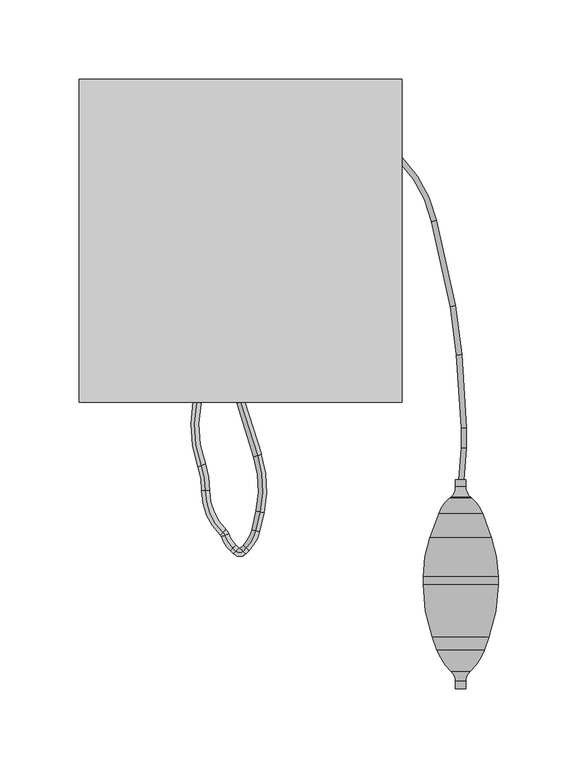
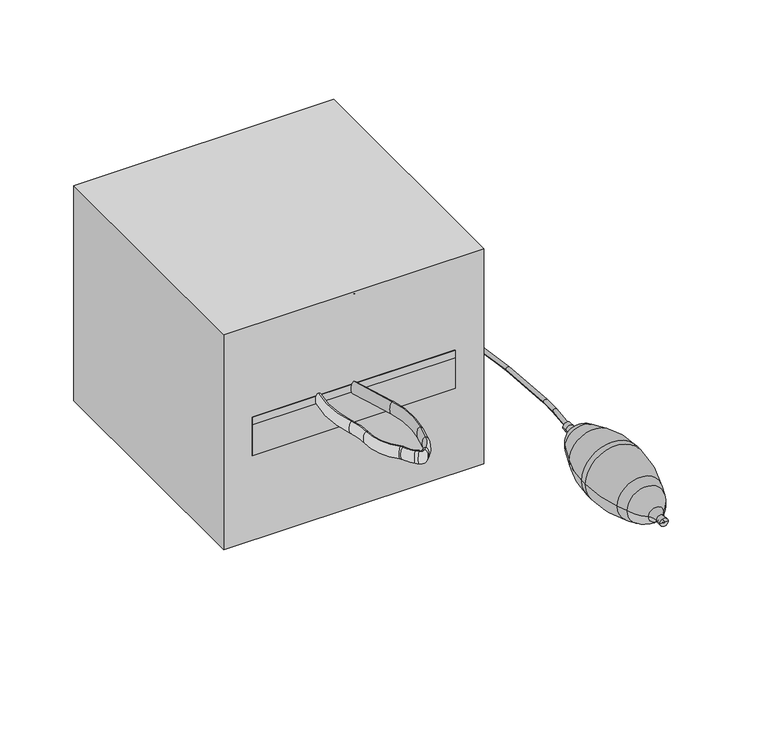
"""IFC4 building model written with IfcOpenShell, lengths in millimetres: proxy geometry."""

from ifc_helpers import new_model, si_unit, point, frame, frame_2d, origin, origin_with_axes, place, context, project, spatial, polyline, circle_curve, ellipse_curve, trimmed, segment, composite_curve, outline, extrude, source, transform, mapped, element, save
from ifc_brep_helpers import plane_surface, cylinder_surface, revolved_surface, extruded_surface, advanced_brep


def specialty_equipment_c0977e94(model_context):
    return source(origin(), model_context, "Body", "SolidModel", [
        advanced_brep(
        [(0.0, 0.0, 93.3890108), (0.0, 0.0, 103.4609892), (10.60129, -33.4899695, 93.3890108), (10.60129, -33.4899695, 103.4609892), (12.1452256, -68.8519095, 103.4609892), (12.1452256, -68.8519095, 93.3890108), (9.4902706, -80.7634297, 93.3890108), (9.4902706, -80.7634297, 103.4609892), (3.5257448, -91.6206606, 103.4609892), (3.5257448, -91.6206606, 93.3890108), (1.489236, -93.6571694, 93.3890108), (1.489236, -93.6571694, 103.4609892), (-2.7411458, -93.6571694, 103.4609892), (-2.7411458, -93.6571694, 93.3890108), (-4.6658712, -91.732444, 93.3890108), (-4.6658712, -91.732444, 103.4609892), (-9.7582734, -83.8141156, 103.4609892), (-9.7582734, -83.8141156, 93.3890108), (-10.9708227, -81.9675873, 103.4609892), (-10.9708227, -81.9675873, 93.3890108), (-21.9594666, -55.7504476, 103.4609892), (-21.9594666, -55.7504476, 93.3890108), (-24.5939327, -39.9510684, 103.4609892), (-24.5939327, -39.9510684, 93.3890108), (-27.3580457, -0.1117834, 93.3890108), (-27.3580457, -0.1117834, 103.4609892)],
        [
            (0, 1, ellipse_curve(frame((0.0, 0.0, 98.425), z_axis=(-0.30179165133573443, 0.9533739031377199, 0.0), x_axis=(0.0, 0.0, 1.0)), 5.0359892, 2.5179946)),
            (1, 0, ellipse_curve(frame((0.0, 0.0, 98.425), z_axis=(-0.30179165133573443, 0.9533739031377199, 0.0), x_axis=(0.0, 0.0, 1.0)), 5.0359892, 2.5179946)),
            (0, 2),
            (2, 3, ellipse_curve(frame((10.60129, -33.4899695, 98.425), z_axis=(-0.3017916513357344, 0.9533739031377201, 0.0), x_axis=(0.0, 0.0, 1.0)), 5.0359892, 2.5179946)),
            (3, 1),
            (3, 2, ellipse_curve(frame((10.60129, -33.4899695, 98.425), z_axis=(-0.3017916513357344, 0.9533739031377201, 0.0), x_axis=(0.0, 0.0, 1.0)), 5.0359892, 2.5179946)),
            (4, 3, circle_curve(frame((-54.3137244, -54.0388951, 103.4609892), z_axis=(0.0, 0.0, 1.0), x_axis=(0.9533739031377199, 0.3017916513357344, 0.0)), 68.0897748)),
            (2, 5, circle_curve(frame((-54.3137244, -54.0388951, 93.3890108), z_axis=(0.0, 0.0, -1.0), x_axis=(0.9533739031377199, 0.3017916513357344, 0.0)), 68.0897748)),
            (5, 4, ellipse_curve(frame((12.1452256, -68.8519095, 98.425), z_axis=(0.21755123234481044, 0.9760489031320381, 0.0), x_axis=(0.0, 0.0, 1.0)), 5.0359892, 2.5179946)),
            (4, 5, ellipse_curve(frame((12.1452256, -68.8519095, 98.425), z_axis=(0.21755123234481044, 0.9760489031320381, 0.0), x_axis=(0.0, 0.0, 1.0)), 5.0359892, 2.5179946)),
            (5, 6),
            (6, 7, ellipse_curve(frame((9.4902706, -80.7634297, 98.425), z_axis=(0.21755123234481058, 0.9760489031320381, 0.0), x_axis=(0.0, 0.0, 1.0)), 5.0359892, 2.5179946)),
            (7, 4),
            (7, 6, ellipse_curve(frame((9.4902706, -80.7634297, 98.425), z_axis=(0.21755123234481058, 0.9760489031320381, 0.0), x_axis=(0.0, 0.0, 1.0)), 5.0359892, 2.5179946)),
            (8, 7, circle_curve(frame((-12.1562786, -75.9386371, 103.4609892), z_axis=(0.0, 0.0, 1.0), x_axis=(0.9760489031320378, -0.21755123234481052, 0.0)), 22.1777302)),
            (6, 9, circle_curve(frame((-12.1562786, -75.9386371, 93.3890108), z_axis=(0.0, 0.0, -1.0), x_axis=(0.9760489031320378, -0.21755123234481052, 0.0)), 22.1777302)),
            (9, 8, ellipse_curve(frame((3.5257448, -91.6206606, 98.425), z_axis=(0.7071067811865477, 0.7071067811865474, 0.0), x_axis=(0.0, 0.0, 1.0)), 5.0359892, 2.5179946)),
            (8, 9, ellipse_curve(frame((3.5257448, -91.6206606, 98.425), z_axis=(0.7071067811865478, 0.7071067811865472, 0.0), x_axis=(0.0, 0.0, 1.0)), 5.0359892, 2.5179946)),
            (9, 10),
            (10, 11, ellipse_curve(frame((1.489236, -93.6571694, 98.425), z_axis=(0.7071067811865424, 0.7071067811865528, 0.0), x_axis=(0.0, 0.0, 1.0)), 5.0359892, 2.5179946)),
            (11, 8),
            (11, 10, ellipse_curve(frame((1.489236, -93.6571694, 98.425), z_axis=(0.7071067811865424, 0.7071067811865528, 0.0), x_axis=(0.0, 0.0, 1.0)), 5.0359892, 2.5179946)),
            (12, 11, circle_curve(frame((-0.6259549, -91.5419785, 103.4609892), z_axis=(0.0, 0.0, 1.0), x_axis=(0.7071067811865528, -0.7071067811865424, 0.0)), 2.9913317)),
            (10, 13, circle_curve(frame((-0.6259549, -91.5419785, 93.3890108), z_axis=(0.0, 0.0, -1.0), x_axis=(0.7071067811865528, -0.7071067811865424, 0.0)), 2.9913317)),
            (13, 12, ellipse_curve(frame((-2.7411458, -93.6571694, 98.425), z_axis=(0.707106781186544, -0.7071067811865511, 0.0), x_axis=(0.0, 0.0, 1.0)), 5.0359892, 2.5179946)),
            (12, 13, ellipse_curve(frame((-2.7411458, -93.6571694, 98.425), z_axis=(0.707106781186541, -0.7071067811865541, 0.0), x_axis=(0.0, 0.0, 1.0)), 5.0359892, 2.5179946)),
            (13, 14),
            (14, 15, ellipse_curve(frame((-4.6658712, -91.732444, 98.425), z_axis=(0.7071067811865435, -0.7071067811865516, 0.0), x_axis=(0.0, 0.0, 1.0)), 5.0359892, 2.5179946)),
            (15, 12),
            (15, 14, ellipse_curve(frame((-4.6658712, -91.732444, 98.425), z_axis=(0.7071067811865435, -0.7071067811865516, 0.0), x_axis=(0.0, 0.0, 1.0)), 5.0359892, 2.5179946)),
            (16, 15, circle_curve(frame((11.0161522, -76.0504205, 103.4609892), z_axis=(0.0, 0.0, 1.0), x_axis=(-0.7071067811865517, -0.7071067811865434, 0.0)), 22.1777302)),
            (14, 17, circle_curve(frame((11.0161522, -76.0504205, 93.3890108), z_axis=(0.0, 0.0, -1.0), x_axis=(-0.7071067811865517, -0.7071067811865434, 0.0)), 22.1777302)),
            (17, 16, ellipse_curve(frame((-9.7582734, -83.8141156, 98.425), z_axis=(0.35006716200403565, -0.9367246031179285, 0.0), x_axis=(0.0, 0.0, 1.0)), 5.0359892, 2.5179946)),
            (16, 17, ellipse_curve(frame((-9.7582734, -83.8141156, 98.425), z_axis=(0.3500671620040357, -0.9367246031179283, 0.0), x_axis=(0.0, 0.0, 1.0)), 5.0359892, 2.5179946)),
            (18, 16, circle_curve(frame((-14.4282922, -85.5593673, 103.4609892), z_axis=(0.0, 0.0, -1.0), x_axis=(0.9367246031179312, 0.3500671620040279, 0.0)), 4.9854768)),
            (17, 19, circle_curve(frame((-14.4282922, -85.5593673, 93.3890108), z_axis=(0.0, 0.0, 1.0), x_axis=(0.9367246031179312, 0.3500671620040279, 0.0)), 4.9854768)),
            (19, 18, ellipse_curve(frame((-10.9708227, -81.9675873, 98.425), z_axis=(0.7204486556395677, -0.6935082801143325, 0.0), x_axis=(0.0, 0.0, 1.0)), 5.0359892, 2.5179946)),
            (18, 19, ellipse_curve(frame((-10.9708227, -81.9675873, 98.425), z_axis=(0.720448655639569, -0.6935082801143314, 0.0), x_axis=(0.0, 0.0, 1.0)), 5.0359892, 2.5179946)),
            (20, 18, circle_curve(frame((13.8981281, -56.1325645, 103.4609892), z_axis=(0.0, 0.0, 1.0), x_axis=(-0.6935082801143325, -0.7204486556395678, 0.0)), 35.8596307)),
            (19, 21, circle_curve(frame((13.8981281, -56.1325645, 93.3890108), z_axis=(0.0, 0.0, -1.0), x_axis=(-0.6935082801143325, -0.7204486556395678, 0.0)), 35.8596307)),
            (21, 20, ellipse_curve(frame((-21.9594666, -55.7504476, 98.425), z_axis=(-0.01065590823073842, -0.9999432241981433, 0.0), x_axis=(0.0, 0.0, 1.0)), 5.0359892, 2.5179946)),
            (20, 21, ellipse_curve(frame((-21.9594666, -55.7504476, 98.425), z_axis=(-0.010655908230738531, -0.9999432241981433, 0.0), x_axis=(0.0, 0.0, 1.0)), 5.0359892, 2.5179946)),
            (22, 20, circle_curve(frame((-67.7275968, -55.2627189, 103.4609892), z_axis=(0.0, 0.0, -1.0), x_axis=(0.9999432241981431, -0.010655908230754234, 0.0)), 45.7707289)),
            (21, 23, circle_curve(frame((-67.7275968, -55.2627189, 93.3890108), z_axis=(0.0, 0.0, 1.0), x_axis=(0.9999432241981431, -0.010655908230754234, 0.0)), 45.7707289)),
            (23, 22, ellipse_curve(frame((-24.5939327, -39.9510684, 98.425), z_axis=(0.33452931398523134, -0.9423853447950953, 0.0), x_axis=(0.0, 0.0, 1.0)), 5.0359892, 2.5179946)),
            (22, 23, ellipse_curve(frame((-24.5939327, -39.9510684, 98.425), z_axis=(0.33452931398523134, -0.9423853447950953, 0.0), x_axis=(0.0, 0.0, 1.0)), 5.0359892, 2.5179946)),
            (24, 25, ellipse_curve(frame((-27.3580457, -0.1117834, 98.425), z_axis=(0.2011821163330489, 0.9795538556239548, 0.0), x_axis=(0.0, 0.0, 1.0)), 5.0359892, 2.5179946)),
            (25, 24, ellipse_curve(frame((-27.3580457, -0.1117834, 98.425), z_axis=(0.2011821163330489, 0.9795538556239548, 0.0), x_axis=(0.0, 0.0, 1.0)), 5.0359892, 2.5179946)),
            (25, 22, circle_curve(frame((45.4884963, -15.0731063, 103.4609892), z_axis=(0.0, 0.0, 1.0), x_axis=(-0.9423853447950952, -0.33452931398523145, 0.0)), 74.3670617)),
            (23, 24, circle_curve(frame((45.4884963, -15.0731063, 93.3890108), z_axis=(0.0, 0.0, -1.0), x_axis=(-0.9423853447950952, -0.33452931398523145, 0.0)), 74.3670617)),
        ],
        [
            plane_surface(frame((0.0, 0.0, 98.425), z_axis=(-0.30179165133573443, 0.9533739031377199, 0.0), x_axis=(0.0, 0.0, 1.0))),
            extruded_surface(trimmed(ellipse_curve(frame((10.60129, -33.4899695, 98.425), z_axis=(-0.30179165133573443, 0.9533739031377199, 0.0), x_axis=(0.0, 0.0, 1.0)), 5.0359892, 2.5179946), [point((10.60129, -33.4899695, 93.3890108))], [point((10.60129, -33.4899695, 103.4609892))], True, "CARTESIAN"), (-10.60129, 33.4899695, 0.0), 35.1278437535672),
            extruded_surface(trimmed(ellipse_curve(frame((10.60129, -33.4899695, 98.425), z_axis=(-0.30179165133573443, 0.9533739031377199, 0.0), x_axis=(0.0, 0.0, 1.0)), 5.0359892, 2.5179946), [point((10.60129, -33.4899695, 103.4609892))], [point((10.60129, -33.4899695, 93.3890108))], True, "CARTESIAN"), (-10.60129, 33.4899695, 0.0), 35.1278437535672),
            revolved_surface(trimmed(ellipse_curve(frame((10.60129, -33.4899695, 98.425), z_axis=(-0.3017916513357343, 0.9533739031377199, 0.0), x_axis=(0.0, 0.0, 1.0)), 5.0359892, 2.5179946), [point((10.60129, -33.4899695, 93.3890108))], [point((10.60129, -33.4899695, 103.4609892))], True, "CARTESIAN"), (-54.3137244, -54.0388951, 98.425), (0.0, 0.0, -1.0)),
            revolved_surface(trimmed(ellipse_curve(frame((10.60129, -33.4899695, 98.425), z_axis=(-0.3017916513357343, 0.9533739031377199, 0.0), x_axis=(0.0, 0.0, 1.0)), 5.0359892, 2.5179946), [point((10.60129, -33.4899695, 103.4609892))], [point((10.60129, -33.4899695, 93.3890108))], True, "CARTESIAN"), (-54.3137244, -54.0388951, 98.425), (0.0, 0.0, -1.0)),
            extruded_surface(trimmed(ellipse_curve(frame((9.4902706, -80.7634297, 98.425), z_axis=(0.2175512323448103, 0.976048903132038, 0.0), x_axis=(0.0, 0.0, 1.0)), 5.0359892, 2.5179946), [point((9.4902706, -80.7634297, 93.3890108))], [point((9.4902706, -80.7634297, 103.4609892))], True, "CARTESIAN"), (2.6549549999999993, 11.911520199999998, 0.0), 12.203814957915126),
            extruded_surface(trimmed(ellipse_curve(frame((9.4902706, -80.7634297, 98.425), z_axis=(0.2175512323448103, 0.976048903132038, 0.0), x_axis=(0.0, 0.0, 1.0)), 5.0359892, 2.5179946), [point((9.4902706, -80.7634297, 103.4609892))], [point((9.4902706, -80.7634297, 93.3890108))], True, "CARTESIAN"), (2.6549549999999993, 11.911520199999998, 0.0), 12.203814957915126),
            revolved_surface(trimmed(ellipse_curve(frame((9.4902706, -80.7634297, 98.425), z_axis=(0.21755123234481052, 0.9760489031320378, 0.0), x_axis=(0.0, 0.0, 1.0)), 5.0359892, 2.5179946), [point((9.4902706, -80.7634297, 93.3890108))], [point((9.4902706, -80.7634297, 103.4609892))], True, "CARTESIAN"), (-12.1562786, -75.9386371, 98.425), (0.0, 0.0, -1.0)),
            revolved_surface(trimmed(ellipse_curve(frame((9.4902706, -80.7634297, 98.425), z_axis=(0.21755123234481052, 0.9760489031320378, 0.0), x_axis=(0.0, 0.0, 1.0)), 5.0359892, 2.5179946), [point((9.4902706, -80.7634297, 103.4609892))], [point((9.4902706, -80.7634297, 93.3890108))], True, "CARTESIAN"), (-12.1562786, -75.9386371, 98.425), (0.0, 0.0, -1.0)),
            extruded_surface(trimmed(ellipse_curve(frame((1.489236, -93.6571694, 98.425), z_axis=(0.707106781186548, 0.7071067811865471, 0.0), x_axis=(0.0, 0.0, 1.0)), 5.0359892, 2.5179946), [point((1.489236, -93.6571694, 93.3890108))], [point((1.489236, -93.6571694, 103.4609892))], True, "CARTESIAN"), (2.0365088, 2.036508800000007, 0.0), 2.8800583648521623),
            extruded_surface(trimmed(ellipse_curve(frame((1.489236, -93.6571694, 98.425), z_axis=(0.707106781186548, 0.7071067811865471, 0.0), x_axis=(0.0, 0.0, 1.0)), 5.0359892, 2.5179946), [point((1.489236, -93.6571694, 103.4609892))], [point((1.489236, -93.6571694, 93.3890108))], True, "CARTESIAN"), (2.0365088, 2.036508800000007, 0.0), 2.8800583648521623),
            revolved_surface(trimmed(ellipse_curve(frame((1.489236, -93.6571694, 98.425), z_axis=(0.7071067811865424, 0.7071067811865528, 0.0), x_axis=(0.0, 0.0, 1.0)), 5.0359892, 2.5179946), [point((1.489236, -93.6571694, 93.3890108))], [point((1.489236, -93.6571694, 103.4609892))], True, "CARTESIAN"), (-0.6259549, -91.5419785, 98.425), (0.0, 0.0, -1.0)),
            revolved_surface(trimmed(ellipse_curve(frame((1.489236, -93.6571694, 98.425), z_axis=(0.7071067811865424, 0.7071067811865528, 0.0), x_axis=(0.0, 0.0, 1.0)), 5.0359892, 2.5179946), [point((1.489236, -93.6571694, 103.4609892))], [point((1.489236, -93.6571694, 93.3890108))], True, "CARTESIAN"), (-0.6259549, -91.5419785, 98.425), (0.0, 0.0, -1.0)),
            extruded_surface(trimmed(ellipse_curve(frame((-4.6658712, -91.732444, 98.425), z_axis=(0.7071067811865421, -0.7071067811865531, 0.0), x_axis=(0.0, 0.0, 1.0)), 5.0359892, 2.5179946), [point((-4.6658712, -91.732444, 93.3890108))], [point((-4.6658712, -91.732444, 103.4609892))], True, "CARTESIAN"), (1.9247253999999998, -1.9247253999999998, 0.0), 2.72197276452398),
            extruded_surface(trimmed(ellipse_curve(frame((-4.6658712, -91.732444, 98.425), z_axis=(0.7071067811865421, -0.7071067811865531, 0.0), x_axis=(0.0, 0.0, 1.0)), 5.0359892, 2.5179946), [point((-4.6658712, -91.732444, 103.4609892))], [point((-4.6658712, -91.732444, 93.3890108))], True, "CARTESIAN"), (1.9247253999999998, -1.9247253999999998, 0.0), 2.72197276452398),
            revolved_surface(trimmed(ellipse_curve(frame((-4.6658712, -91.732444, 98.425), z_axis=(0.7071067811865435, -0.7071067811865516, 0.0), x_axis=(0.0, 0.0, 1.0)), 5.0359892, 2.5179946), [point((-4.6658712, -91.732444, 93.3890108))], [point((-4.6658712, -91.732444, 103.4609892))], True, "CARTESIAN"), (11.0161522, -76.0504205, 98.425), (0.0, 0.0, -1.0)),
            revolved_surface(trimmed(ellipse_curve(frame((-4.6658712, -91.732444, 98.425), z_axis=(0.7071067811865435, -0.7071067811865516, 0.0), x_axis=(0.0, 0.0, 1.0)), 5.0359892, 2.5179946), [point((-4.6658712, -91.732444, 103.4609892))], [point((-4.6658712, -91.732444, 93.3890108))], True, "CARTESIAN"), (11.0161522, -76.0504205, 98.425), (0.0, 0.0, -1.0)),
            revolved_surface(trimmed(ellipse_curve(frame((-9.7582734, -83.8141156, 98.425), z_axis=(0.35006716200402826, -0.936724603117931, 0.0), x_axis=(0.0, 0.0, 1.0)), 5.0359892, 2.5179946), [point((-9.7582734, -83.8141156, 93.3890108))], [point((-9.7582734, -83.8141156, 103.4609892))], True, "CARTESIAN"), (-14.4282922, -85.5593673, 98.425), (0.0, 0.0, 1.0)),
            revolved_surface(trimmed(ellipse_curve(frame((-9.7582734, -83.8141156, 98.425), z_axis=(0.35006716200402826, -0.936724603117931, 0.0), x_axis=(0.0, 0.0, 1.0)), 5.0359892, 2.5179946), [point((-9.7582734, -83.8141156, 103.4609892))], [point((-9.7582734, -83.8141156, 93.3890108))], True, "CARTESIAN"), (-14.4282922, -85.5593673, 98.425), (0.0, 0.0, 1.0)),
            revolved_surface(trimmed(ellipse_curve(frame((-10.9708227, -81.9675873, 98.425), z_axis=(0.720448655639568, -0.6935082801143324, 0.0), x_axis=(0.0, 0.0, 1.0)), 5.0359892, 2.5179946), [point((-10.9708227, -81.9675873, 93.3890108))], [point((-10.9708227, -81.9675873, 103.4609892))], True, "CARTESIAN"), (13.8981281, -56.1325645, 98.425), (0.0, 0.0, -1.0)),
            revolved_surface(trimmed(ellipse_curve(frame((-10.9708227, -81.9675873, 98.425), z_axis=(0.720448655639568, -0.6935082801143324, 0.0), x_axis=(0.0, 0.0, 1.0)), 5.0359892, 2.5179946), [point((-10.9708227, -81.9675873, 103.4609892))], [point((-10.9708227, -81.9675873, 93.3890108))], True, "CARTESIAN"), (13.8981281, -56.1325645, 98.425), (0.0, 0.0, -1.0)),
            revolved_surface(trimmed(ellipse_curve(frame((-21.9594666, -55.7504476, 98.425), z_axis=(-0.010655908230754184, -0.9999432241981431, 0.0), x_axis=(0.0, 0.0, 1.0)), 5.0359892, 2.5179946), [point((-21.9594666, -55.7504476, 93.3890108))], [point((-21.9594666, -55.7504476, 103.4609892))], True, "CARTESIAN"), (-67.7275968, -55.2627189, 98.425), (0.0, 0.0, 1.0)),
            revolved_surface(trimmed(ellipse_curve(frame((-21.9594666, -55.7504476, 98.425), z_axis=(-0.010655908230754184, -0.9999432241981431, 0.0), x_axis=(0.0, 0.0, 1.0)), 5.0359892, 2.5179946), [point((-21.9594666, -55.7504476, 103.4609892))], [point((-21.9594666, -55.7504476, 93.3890108))], True, "CARTESIAN"), (-67.7275968, -55.2627189, 98.425), (0.0, 0.0, 1.0)),
            plane_surface(frame((-27.3580457, -0.1117834, 98.425), z_axis=(0.20118211633304883, 0.9795538556239548, 0.0), x_axis=(0.0, 0.0, 1.0))),
            revolved_surface(trimmed(ellipse_curve(frame((-24.5939327, -39.9510684, 98.425), z_axis=(0.3345293139852318, -0.9423853447950951, 0.0), x_axis=(0.0, 0.0, 1.0)), 5.0359892, 2.5179946), [point((-24.5939327, -39.9510684, 93.3890108))], [point((-24.5939327, -39.9510684, 103.4609892))], True, "CARTESIAN"), (45.4884963, -15.0731063, 98.425), (0.0, 0.0, -1.0)),
            revolved_surface(trimmed(ellipse_curve(frame((-24.5939327, -39.9510684, 98.425), z_axis=(0.3345293139852318, -0.9423853447950951, 0.0), x_axis=(0.0, 0.0, 1.0)), 5.0359892, 2.5179946), [point((-24.5939327, -39.9510684, 103.4609892))], [point((-24.5939327, -39.9510684, 93.3890108))], True, "CARTESIAN"), (45.4884963, -15.0731063, 98.425), (0.0, 0.0, -1.0)),
        ],
        [
            (0, [[1, 2]]),
            (1, [[-1, 3, 4, 5]]),
            (2, [[-2, -5, 6, -3]]),
            (3, [[7, -4, 8, 9]]),
            (4, [[-8, -6, -7, 10]]),
            (5, [[-9, 11, 12, 13]]),
            (6, [[-10, -13, 14, -11]]),
            (7, [[15, -12, 16, 17]]),
            (8, [[-16, -14, -15, 18]]),
            (9, [[-17, 19, 20, 21]]),
            (10, [[-18, -21, 22, -19]]),
            (11, [[23, -20, 24, 25]]),
            (12, [[-24, -22, -23, 26]]),
            (13, [[-25, 27, 28, 29]]),
            (14, [[-26, -29, 30, -27]]),
            (15, [[31, -28, 32, 33]]),
            (16, [[-32, -30, -31, 34]]),
            (17, [[35, -33, 36, 37]]),
            (18, [[-36, -34, -35, 38]]),
            (19, [[39, -37, 40, 41]]),
            (20, [[-40, -38, -39, 42]]),
            (21, [[43, -41, 44, 45]]),
            (22, [[-44, -42, -43, 46]]),
            (23, [[47, 48]]),
            (24, [[49, -45, 50, -48]]),
            (25, [[-50, -46, -49, -47]]),
        ],
    ),
        advanced_brep(
        [(138.1282079, -48.8005767, 47.6946196), (139.110677, -48.8005767, 47.6946196), (141.8571136, -48.8005767, 47.6946196), (135.3817713, -48.8005767, 47.6946196), (138.1282079, -180.1855223, 47.6946196), (139.110677, -180.1855223, 47.6946196), (135.3817713, -180.1855223, 47.6946196), (141.8571136, -180.1855223, 47.6946196), (135.3817713, -175.5632852, 47.6946196), (141.8571136, -175.5632852, 47.6946196), (132.7169258, -169.4696535, 47.6946196), (144.5219592, -169.4696535, 47.6946196), (123.7575473, -155.9951928, 47.6946196), (153.4813376, -155.9951928, 47.6946196), (120.8482177, -148.0018755, 47.6946196), (156.3906672, -148.0018755, 47.6946196), (114.9866942, -114.7595239, 47.6946196), (162.2521907, -114.7595239, 47.6946196), (114.9866942, -109.7483973, 47.6946196), (162.2521907, -109.7483973, 47.6946196), (119.3165907, -85.1923341, 47.6946196), (157.9222942, -85.1923341, 47.6946196), (124.8056359, -70.1113063, 47.6946196), (152.433249, -70.1113063, 47.6946196), (131.6106524, -60.3927356, 47.6946196), (145.6282325, -60.3927356, 47.6946196), (132.2844617, -59.8273424, 47.6946196), (144.9544232, -59.8273424, 47.6946196), (135.3817713, -53.1851407, 47.6946196), (141.8571136, -53.1851407, 47.6946196)],
        [
            (0, 1, circle_curve(frame((138.6194425, -48.8005767, 47.6946196), z_axis=(0.0, -1.0, 0.0), x_axis=(1.0, 0.0, 0.0)), 0.4912345)),
            (1, 2),
            (2, 3, circle_curve(frame((138.6194425, -48.8005767, 47.6946196), z_axis=(0.0, 1.0, 0.0), x_axis=(1.0, 0.0, 0.0)), 3.2376712)),
            (3, 0),
            (1, 0, circle_curve(frame((138.6194425, -48.8005767, 47.6946196), z_axis=(0.0, -1.0, 0.0), x_axis=(1.0, 0.0, 0.0)), 0.4912345)),
            (3, 2, circle_curve(frame((138.6194425, -48.8005767, 47.6946196), z_axis=(0.0, 1.0, 0.0), x_axis=(1.0, 0.0, 0.0)), 3.2376712)),
            (4, 5, circle_curve(frame((138.6194425, -180.1855223, 47.6946196), z_axis=(0.0, -1.0, 0.0), x_axis=(1.0, 0.0, 0.0)), 0.4912345)),
            (5, 1),
            (0, 4),
            (5, 4, circle_curve(frame((138.6194425, -180.1855223, 47.6946196), z_axis=(0.0, -1.0, 0.0), x_axis=(1.0, 0.0, 0.0)), 0.4912345)),
            (6, 7, circle_curve(frame((138.6194425, -180.1855223, 47.6946196), z_axis=(0.0, -1.0, 0.0), x_axis=(1.0, 0.0, 0.0)), 3.2376712)),
            (7, 5),
            (4, 6),
            (7, 6, circle_curve(frame((138.6194425, -180.1855223, 47.6946196), z_axis=(0.0, -1.0, 0.0), x_axis=(1.0, 0.0, 0.0)), 3.2376712)),
            (8, 9, circle_curve(frame((138.6194425, -175.5632852, 47.6946196), z_axis=(0.0, -1.0, 0.0), x_axis=(1.0, 0.0, 0.0)), 3.2376712)),
            (9, 7),
            (6, 8),
            (9, 8, circle_curve(frame((138.6194425, -175.5632852, 47.6946196), z_axis=(0.0, -1.0, 0.0), x_axis=(1.0, 0.0, 0.0)), 3.2376712)),
            (10, 11, circle_curve(frame((138.6194425, -169.4696535, 47.6946196), z_axis=(0.0, -1.0, 0.0), x_axis=(1.0, 0.0, 0.0)), 5.9025167)),
            (11, 9, circle_curve(frame((150.1566096, -175.5632852, 47.6946196), z_axis=(0.0, 0.0, 1.0), x_axis=(1.0, 0.0, 0.0)), 8.299496)),
            (8, 10, circle_curve(frame((127.0822753, -175.5632852, 47.6946196), z_axis=(0.0, 0.0, 1.0), x_axis=(-1.0, 0.0, 0.0)), 8.299496)),
            (11, 10, circle_curve(frame((138.6194425, -169.4696535, 47.6946196), z_axis=(0.0, -1.0, 0.0), x_axis=(1.0, 0.0, 0.0)), 5.9025167)),
            (12, 13, circle_curve(frame((138.6194425, -155.9951928, 47.6946196), z_axis=(0.0, -1.0, 0.0), x_axis=(1.0, 0.0, 0.0)), 14.8618952)),
            (13, 11, circle_curve(frame((121.1969167, -144.2446246, 47.6946196), z_axis=(0.0, 0.0, -1.0), x_axis=(1.0, 0.0, 0.0)), 34.3563632)),
            (10, 12, circle_curve(frame((156.0419683, -144.2446246, 47.6946196), z_axis=(0.0, 0.0, -1.0), x_axis=(-1.0, 0.0, 0.0)), 34.3563632)),
            (13, 12, circle_curve(frame((138.6194425, -155.9951928, 47.6946196), z_axis=(0.0, -1.0, 0.0), x_axis=(1.0, 0.0, 0.0)), 14.8618952)),
            (14, 15, circle_curve(frame((138.6194425, -148.0018755, 47.6946196), z_axis=(0.0, -1.0, 0.0), x_axis=(1.0, 0.0, 0.0)), 17.7712248)),
            (15, 13),
            (12, 14),
            (15, 14, circle_curve(frame((138.6194425, -148.0018755, 47.6946196), z_axis=(0.0, -1.0, 0.0), x_axis=(1.0, 0.0, 0.0)), 17.7712248)),
            (16, 17, circle_curve(frame((138.6194425, -114.7595239, 47.6946196), z_axis=(0.0, -1.0, 0.0), x_axis=(1.0, 0.0, 0.0)), 23.6327482)),
            (17, 15, circle_curve(frame((65.058057, -114.7595239, 47.6946196), z_axis=(0.0, 0.0, -1.0), x_axis=(1.0, 0.0, 0.0)), 97.1941337)),
            (14, 16, circle_curve(frame((212.1808279, -114.7595239, 47.6946196), z_axis=(0.0, 0.0, -1.0), x_axis=(-1.0, 0.0, 0.0)), 97.1941337)),
            (17, 16, circle_curve(frame((138.6194425, -114.7595239, 47.6946196), z_axis=(0.0, -1.0, 0.0), x_axis=(1.0, 0.0, 0.0)), 23.6327482)),
            (18, 19, circle_curve(frame((138.6194425, -109.7483973, 47.6946196), z_axis=(0.0, -1.0, 0.0), x_axis=(1.0, 0.0, 0.0)), 23.6327482)),
            (19, 17),
            (16, 18),
            (19, 18, circle_curve(frame((138.6194425, -109.7483973, 47.6946196), z_axis=(0.0, -1.0, 0.0), x_axis=(1.0, 0.0, 0.0)), 23.6327482)),
            (20, 21, circle_curve(frame((138.6194425, -85.1923341, 47.6946196), z_axis=(0.0, -1.0, 0.0), x_axis=(1.0, 0.0, 0.0)), 19.3028518)),
            (21, 19, circle_curve(frame((90.4550652, -109.7483973, 47.6946196), z_axis=(0.0, 0.0, -1.0), x_axis=(1.0, 0.0, 0.0)), 71.7971255)),
            (18, 20, circle_curve(frame((186.7838197, -109.7483973, 47.6946196), z_axis=(0.0, 0.0, -1.0), x_axis=(-1.0, 0.0, 0.0)), 71.7971255)),
            (21, 20, circle_curve(frame((138.6194425, -85.1923341, 47.6946196), z_axis=(0.0, -1.0, 0.0), x_axis=(1.0, 0.0, 0.0)), 19.3028518)),
            (22, 23, circle_curve(frame((138.6194425, -70.1113063, 47.6946196), z_axis=(0.0, -1.0, 0.0), x_axis=(1.0, 0.0, 0.0)), 13.8138065)),
            (23, 21),
            (20, 22),
            (23, 22, circle_curve(frame((138.6194425, -70.1113063, 47.6946196), z_axis=(0.0, -1.0, 0.0), x_axis=(1.0, 0.0, 0.0)), 13.8138065)),
            (24, 25, circle_curve(frame((138.6194425, -60.3927356, 47.6946196), z_axis=(0.0, -1.0, 0.0), x_axis=(1.0, 0.0, 0.0)), 7.00879)),
            (25, 23, circle_curve(frame((130.8956408, -77.9503546, 47.6946196), z_axis=(0.0, 0.0, -1.0), x_axis=(1.0, 0.0, 0.0)), 22.9198439)),
            (22, 24, circle_curve(frame((146.3432441, -77.9503546, 47.6946196), z_axis=(0.0, 0.0, -1.0), x_axis=(-1.0, 0.0, 0.0)), 22.9198439)),
            (25, 24, circle_curve(frame((138.6194425, -60.3927356, 47.6946196), z_axis=(0.0, -1.0, 0.0), x_axis=(1.0, 0.0, 0.0)), 7.00879)),
            (26, 27, circle_curve(frame((138.6194425, -59.8273424, 47.6946196), z_axis=(0.0, -1.0, 0.0), x_axis=(1.0, 0.0, 0.0)), 6.3349807)),
            (27, 25),
            (24, 26),
            (27, 26, circle_curve(frame((138.6194425, -59.8273424, 47.6946196), z_axis=(0.0, -1.0, 0.0), x_axis=(1.0, 0.0, 0.0)), 6.3349807)),
            (28, 29, circle_curve(frame((138.6194425, -53.1851407, 47.6946196), z_axis=(0.0, -1.0, 0.0), x_axis=(1.0, 0.0, 0.0)), 3.2376712)),
            (29, 27, circle_curve(frame((150.5278923, -53.1851407, 47.6946196), z_axis=(0.0, 0.0, 1.0), x_axis=(1.0, 0.0, 0.0)), 8.6707786)),
            (26, 28, circle_curve(frame((126.7109927, -53.1851407, 47.6946196), z_axis=(0.0, 0.0, 1.0), x_axis=(-1.0, 0.0, 0.0)), 8.6707786)),
            (29, 28, circle_curve(frame((138.6194425, -53.1851407, 47.6946196), z_axis=(0.0, -1.0, 0.0), x_axis=(1.0, 0.0, 0.0)), 3.2376712)),
            (2, 29),
            (28, 3),
        ],
        [
            plane_surface(frame((138.6194425, -48.8005767, 47.6946196), z_axis=(0.0, 1.0, 0.0), x_axis=(1.0, 0.0, 0.0))),
            revolved_surface(polyline([(139.11067699999998, -48.8005767, 47.6946196), (139.11067699999998, -180.1855223, 47.6946196)]), (138.6194425, -48.8005767, 47.6946196), (0.0, 1.0, 0.0)),
            plane_surface(frame((138.6194425, -180.1855223, 47.6946196), z_axis=(0.0, -1.0, 0.0), x_axis=(1.0, 0.0, 0.0))),
            cylinder_surface(frame((138.6194425, -48.8005767, 47.6946196), z_axis=(0.0, 1.0, 0.0), x_axis=(1.0, 0.0, 0.0)), 3.2376712),
            revolved_surface(trimmed(ellipse_curve(frame((150.1566096, -175.5632852, 47.6946196), z_axis=(0.0, 0.0, -1.0), x_axis=(1.0, 0.0, 0.0)), 8.299496, 8.299496), [point((141.8571136, -175.5632852, 47.6946196))], [point((144.5219592, -169.4696535, 47.6946196))], True, "CARTESIAN"), (138.6194425, -48.8005767, 47.6946196), (0.0, 1.0, 0.0)),
            revolved_surface(trimmed(ellipse_curve(frame((121.1969167, -144.2446246, 47.6946196), z_axis=(0.0, 0.0, 1.0), x_axis=(1.0, 0.0, 0.0)), 34.3563632, 34.3563632), [point((144.5219592, -169.4696535, 47.6946196))], [point((153.4813376, -155.9951928, 47.6946196))], True, "CARTESIAN"), (138.6194425, -48.8005767, 47.6946196), (0.0, 1.0, 0.0)),
            revolved_surface(polyline([(153.4813376, -155.9951928, 47.6946196), (156.3906672, -148.0018755, 47.6946196)]), (138.6194425, -48.8005767, 47.6946196), (0.0, 1.0, 0.0)),
            revolved_surface(trimmed(ellipse_curve(frame((65.058057, -114.7595239, 47.6946196), z_axis=(0.0, 0.0, 1.0), x_axis=(1.0, 0.0, 0.0)), 97.1941337, 97.1941337), [point((156.3906672, -148.0018755, 47.6946196))], [point((162.2521907, -114.7595239, 47.6946196))], True, "CARTESIAN"), (138.6194425, -48.8005767, 47.6946196), (0.0, 1.0, 0.0)),
            cylinder_surface(frame((138.6194425, -48.8005767, 47.6946196), z_axis=(0.0, 1.0, 0.0), x_axis=(1.0, 0.0, 0.0)), 23.6327482),
            revolved_surface(trimmed(ellipse_curve(frame((90.4550652, -109.7483973, 47.6946196), z_axis=(0.0, 0.0, 1.0), x_axis=(1.0, 0.0, 0.0)), 71.7971255, 71.7971255), [point((162.2521907, -109.7483973, 47.6946196))], [point((157.9222942, -85.1923341, 47.6946196))], True, "CARTESIAN"), (138.6194425, -48.8005767, 47.6946196), (0.0, 1.0, 0.0)),
            revolved_surface(polyline([(157.9222942, -85.1923341, 47.6946196), (152.433249, -70.1113063, 47.6946196)]), (138.6194425, -48.8005767, 47.6946196), (0.0, 1.0, 0.0)),
            revolved_surface(trimmed(ellipse_curve(frame((130.8956408, -77.9503546, 47.6946196), z_axis=(0.0, 0.0, 1.0), x_axis=(1.0, 0.0, 0.0)), 22.9198439, 22.9198439), [point((152.433249, -70.1113063, 47.6946196))], [point((145.6282325, -60.3927356, 47.6946196))], True, "CARTESIAN"), (138.6194425, -48.8005767, 47.6946196), (0.0, 1.0, 0.0)),
            revolved_surface(polyline([(145.6282325, -60.3927356, 47.6946196), (144.9544232, -59.8273424, 47.6946196)]), (138.6194425, -48.8005767, 47.6946196), (0.0, 1.0, 0.0)),
            revolved_surface(trimmed(ellipse_curve(frame((150.5278923, -53.1851407, 47.6946196), z_axis=(0.0, 0.0, -1.0), x_axis=(1.0, 0.0, 0.0)), 8.6707786, 8.6707786), [point((144.9544232, -59.8273424, 47.6946196))], [point((141.8571136, -53.1851407, 47.6946196))], True, "CARTESIAN"), (138.6194425, -48.8005767, 47.6946196), (0.0, 1.0, 0.0)),
        ],
        [
            (0, [[1, 2, 3, 4]]),
            (0, [[5, -4, 6, -2]]),
            (1, [[7, 8, -1, 9]]),
            (1, [[10, -9, -5, -8]]),
            (2, [[11, 12, -7, 13]]),
            (2, [[14, -13, -10, -12]]),
            (3, [[15, 16, -11, 17]]),
            (3, [[18, -17, -14, -16]]),
            (4, [[19, 20, -15, 21]]),
            (4, [[22, -21, -18, -20]]),
            (5, [[23, 24, -19, 25]]),
            (5, [[26, -25, -22, -24]]),
            (6, [[27, 28, -23, 29]]),
            (6, [[30, -29, -26, -28]]),
            (7, [[31, 32, -27, 33]]),
            (7, [[34, -33, -30, -32]]),
            (8, [[35, 36, -31, 37]]),
            (8, [[38, -37, -34, -36]]),
            (9, [[39, 40, -35, 41]]),
            (9, [[42, -41, -38, -40]]),
            (10, [[43, 44, -39, 45]]),
            (10, [[46, -45, -42, -44]]),
            (11, [[47, 48, -43, 49]]),
            (11, [[50, -49, -46, -48]]),
            (12, [[51, 52, -47, 53]]),
            (12, [[54, -53, -50, -52]]),
            (13, [[55, 56, -51, 57]]),
            (13, [[58, -57, -54, -56]]),
            (3, [[-3, 59, -55, 60]]),
            (3, [[-6, -60, -58, -59]]),
        ],
    ),
        extrude(outline(composite_curve([segment(polyline([(60.0140495, 56.9161892), (60.0140495, -51.3523862)]), True, "CONTINUOUS"), segment(trimmed(circle_curve(frame_2d((49.7730325, -51.3523862)), 10.2410171), [point((60.0140495, -51.3523862))], [point((49.7730325, -61.5934033))], False, "CARTESIAN"), True, "CONTINUOUS"), segment(polyline([(49.7730325, -61.5934033), (47.625, -61.5934033)]), True, "CONTINUOUS"), segment(trimmed(circle_curve(frame_2d((47.625, -55.2434033)), 6.35), [point((47.625, -61.5934033))], [point((41.275, -55.2434033))], False, "CARTESIAN"), True, "CONTINUOUS"), segment(polyline([(41.275, -55.2434033), (41.275, 56.9161892)]), True, "CONTINUOUS"), segment(trimmed(circle_curve(frame_2d((47.625, 56.9161892)), 6.35), [point((41.275, 56.9161892))], [point((47.625, 63.2661892))], False, "CARTESIAN"), True, "CONTINUOUS"), segment(polyline([(47.625, 63.2661892), (53.6640495, 63.2661892)]), True, "CONTINUOUS"), segment(trimmed(circle_curve(frame_2d((53.6640495, 56.9161892)), 6.35), [point((53.6640495, 63.2661892))], [point((60.0140495, 56.9161892))], False, "CARTESIAN"), True, "CONTINUOUS")], self_intersect=False)), frame((0.0, 134.8257556, 0.0), z_axis=(0.0, 1.0, 0.0), x_axis=(0.0, 0.0, 1.0)), (0.0, 0.0, 1.0), 49.3242444),
        extrude(outline(polyline([(1.4455759, 86.4782162), (0.3248118, 26.9185099), (-0.7959523, 86.4782162), (1.4455759, 86.4782162)])), frame((0.0, 0.0, 98.425), z_axis=(0.0, 0.0, 1.0), x_axis=(1.0, 0.0, 0.0)), (0.0, 0.0, 1.0), 1.5875),
        advanced_brep(
        [(64.1302409, 157.2064783, 47.6946196), (63.006649, 160.2935217, 47.6946196), (79.4200216, 162.7715033, 47.6946196), (78.2964296, 165.8585468, 47.6946196), (93.3436181, 162.5226654, 47.6946196), (91.020657, 160.1997043, 47.6946196), (99.4638922, 151.7564691, 47.6946196), (101.7868533, 154.0794302, 47.6946196), (123.3936687, 114.6421744, 47.6946196), (120.1855696, 113.9347877, 47.6946196), (132.0133902, 60.2939371, 47.6946196), (135.2214894, 61.0013237, 47.6946196), (135.9885723, 29.7831085, 47.6946196), (139.2461165, 30.2081991, 47.6946196), (142.2495065, -16.0179543, 47.6946196), (138.9643435, -16.0179543, 47.6946196), (138.9643435, -28.7184587, 47.6946196), (142.2495065, -28.7184587, 47.6946196), (137.4726358, -48.678532, 47.6946196), (140.7487182, -48.9226214, 47.6946196)],
        [
            (0, 1, circle_curve(frame((63.568445, 158.75, 47.6946196), z_axis=(-0.9396926207859115, -0.3420201433256602, 0.0), x_axis=(-0.3420201433256602, 0.9396926207859115, 0.0)), 1.6425815)),
            (1, 0, circle_curve(frame((63.568445, 158.75, 47.6946196), z_axis=(-0.9396926207859115, -0.3420201433256602, 0.0), x_axis=(-0.3420201433256602, 0.9396926207859115, 0.0)), 1.6425815)),
            (0, 2),
            (2, 3, circle_curve(frame((78.8582256, 164.315025, 47.6946196), z_axis=(-0.9396926207859115, -0.3420201433256602, 0.0), x_axis=(-0.3420201433256602, 0.9396926207859115, 0.0)), 1.6425815)),
            (3, 1),
            (3, 2, circle_curve(frame((78.8582256, 164.315025, 47.6946196), z_axis=(-0.9396926207859115, -0.3420201433256602, 0.0), x_axis=(-0.3420201433256602, 0.9396926207859115, 0.0)), 1.6425815)),
            (4, 3, circle_curve(frame((83.2018814, 152.3809287, 47.6946196), z_axis=(0.0, 0.0, 1.0), x_axis=(-0.34202014332565955, 0.9396926207859118, 0.0)), 14.3425815)),
            (2, 5, circle_curve(frame((83.2018814, 152.3809287, 47.6946196), z_axis=(0.0, 0.0, -1.0), x_axis=(-0.34202014332565955, 0.9396926207859118, 0.0)), 11.0574185)),
            (5, 4, circle_curve(frame((92.1821375, 161.3611849, 47.6946196), z_axis=(-0.707106781186547, 0.7071067811865481, 0.0), x_axis=(0.7071067811865481, 0.707106781186547, 0.0)), 1.6425815)),
            (4, 5, circle_curve(frame((92.1821375, 161.3611849, 47.6946196), z_axis=(-0.7071067811865444, 0.7071067811865509, 0.0), x_axis=(0.7071067811865509, 0.7071067811865444, 0.0)), 1.6425815)),
            (5, 6),
            (6, 7, circle_curve(frame((100.6253728, 152.9179497, 47.6946196), z_axis=(-0.7071067811865462, 0.7071067811865489, 0.0), x_axis=(0.7071067811865489, 0.7071067811865462, 0.0)), 1.6425815)),
            (7, 4),
            (7, 6, circle_curve(frame((100.6253728, 152.9179497, 47.6946196), z_axis=(-0.7071067811865462, 0.7071067811865489, 0.0), x_axis=(0.7071067811865489, 0.7071067811865462, 0.0)), 1.6425815)),
            (8, 7, circle_curve(frame((45.0818146, 97.3743915, 47.6946196), z_axis=(0.0, 0.0, 1.0), x_axis=(0.7071067811865481, 0.7071067811865469, 0.0)), 80.1930348)),
            (6, 9, circle_curve(frame((45.0818146, 97.3743915, 47.6946196), z_axis=(0.0, 0.0, -1.0), x_axis=(0.7071067811865481, 0.7071067811865469, 0.0)), 76.9078718)),
            (9, 8, circle_curve(frame((121.7896192, 114.2884811, 47.6946196), z_axis=(-0.21532771486204533, 0.9765418450902601, 0.0), x_axis=(0.9765418450902601, 0.21532771486204533, 0.0)), 1.6425815)),
            (8, 9, circle_curve(frame((121.7896192, 114.2884811, 47.6946196), z_axis=(-0.2153277148620455, 0.9765418450902601, 0.0), x_axis=(0.9765418450902601, 0.2153277148620455, 0.0)), 1.6425815)),
            (9, 10),
            (10, 11, circle_curve(frame((133.6174398, 60.6476304, 47.6946196), z_axis=(-0.21532771486204536, 0.9765418450902602, 0.0), x_axis=(0.9765418450902602, 0.21532771486204536, 0.0)), 1.6425815)),
            (11, 8),
            (11, 10, circle_curve(frame((133.6174398, 60.6476304, 47.6946196), z_axis=(-0.21532771486204536, 0.9765418450902602, 0.0), x_axis=(0.9765418450902602, 0.21532771486204536, 0.0)), 1.6425815)),
            (10, 12),
            (12, 13, circle_curve(frame((137.6173444, 29.9956538, 47.6946196), z_axis=(-0.1293970980647746, 0.9915928554666049, 0.0), x_axis=(0.9915928554666049, 0.1293970980647746, 0.0)), 1.6425815)),
            (13, 11),
            (13, 12, circle_curve(frame((137.6173444, 29.9956538, 47.6946196), z_axis=(-0.1293970980647746, 0.9915928554666049, 0.0), x_axis=(0.9915928554666049, 0.1293970980647746, 0.0)), 1.6425815)),
            (14, 13, circle_curve(frame((-214.993075, -16.0179543, 47.6946196), z_axis=(0.0, 0.0, 1.0), x_axis=(0.9915928554666049, 0.12939709806477429, 0.0)), 357.2425815)),
            (12, 15, circle_curve(frame((-214.993075, -16.0179543, 47.6946196), z_axis=(0.0, 0.0, -1.0), x_axis=(0.9915928554666049, 0.12939709806477429, 0.0)), 353.9574185)),
            (15, 14, circle_curve(frame((140.606925, -16.0179543, 47.6946196), z_axis=(0.0, 1.0, 0.0), x_axis=(1.0, 0.0, 0.0)), 1.6425815)),
            (14, 15, circle_curve(frame((140.606925, -16.0179543, 47.6946196), z_axis=(0.0, 1.0, 0.0), x_axis=(1.0, 0.0, 0.0)), 1.6425815)),
            (15, 16),
            (16, 17, circle_curve(frame((140.606925, -28.7184587, 47.6946196), z_axis=(0.0, 1.0, 0.0), x_axis=(1.0, 0.0, 0.0)), 1.6425815)),
            (17, 14),
            (17, 16, circle_curve(frame((140.606925, -28.7184587, 47.6946196), z_axis=(0.0, 1.0, 0.0), x_axis=(1.0, 0.0, 0.0)), 1.6425815)),
            (18, 19, circle_curve(frame((139.110677, -48.8005767, 47.6946196), z_axis=(-0.07430053978067933, -0.9972358947552479, 0.0), x_axis=(0.9972358947552479, -0.07430053978067933, 0.0)), 1.6425815)),
            (19, 18, circle_curve(frame((139.110677, -48.8005767, 47.6946196), z_axis=(-0.07430053978067933, -0.9972358947552479, 0.0), x_axis=(0.9972358947552479, -0.07430053978067933, 0.0)), 1.6425815)),
            (16, 18),
            (19, 17),
        ],
        [
            plane_surface(frame((63.568445, 158.75, 98.425), z_axis=(-0.9396926207859115, -0.3420201433256602, 0.0), x_axis=(0.0, 0.0, 1.0))),
            cylinder_surface(frame((63.568445, 158.75, 47.6946196), z_axis=(-0.9396926207859115, -0.3420201433256602, 0.0), x_axis=(-0.3420201433256602, 0.9396926207859115, 0.0)), 1.6425815),
            revolved_surface(trimmed(ellipse_curve(frame((78.8582256, 164.315025, 47.6946196), z_axis=(-0.9396926207859118, -0.3420201433256596, 0.0), x_axis=(-0.3420201433256596, 0.9396926207859118, 0.0)), 1.6425815, 1.6425815), [point((79.4200216, 162.7715033, 47.6946196))], [point((78.2964296, 165.8585468, 47.6946196))], True, "CARTESIAN"), (83.2018814, 152.3809287, 98.425), (0.0, 0.0, -1.0)),
            revolved_surface(trimmed(ellipse_curve(frame((78.8582256, 164.315025, 47.6946196), z_axis=(-0.9396926207859118, -0.3420201433256596, 0.0), x_axis=(-0.3420201433256596, 0.9396926207859118, 0.0)), 1.6425815, 1.6425815), [point((78.2964296, 165.8585468, 47.6946196))], [point((79.4200216, 162.7715033, 47.6946196))], True, "CARTESIAN"), (83.2018814, 152.3809287, 98.425), (0.0, 0.0, -1.0)),
            cylinder_surface(frame((92.1821375, 161.3611849, 47.6946196), z_axis=(-0.7071067811865462, 0.7071067811865489, 0.0), x_axis=(0.7071067811865489, 0.7071067811865462, 0.0)), 1.6425815),
            revolved_surface(trimmed(ellipse_curve(frame((100.6253728, 152.9179497, 47.6946196), z_axis=(-0.707106781186547, 0.707106781186548, 0.0), x_axis=(0.707106781186548, 0.707106781186547, 0.0)), 1.6425815, 1.6425815), [point((99.4638922, 151.7564691, 47.6946196))], [point((101.7868533, 154.0794302, 47.6946196))], True, "CARTESIAN"), (45.0818146, 97.3743915, 98.425), (0.0, 0.0, -1.0)),
            revolved_surface(trimmed(ellipse_curve(frame((100.6253728, 152.9179497, 47.6946196), z_axis=(-0.707106781186547, 0.707106781186548, 0.0), x_axis=(0.707106781186548, 0.707106781186547, 0.0)), 1.6425815, 1.6425815), [point((101.7868533, 154.0794302, 47.6946196))], [point((99.4638922, 151.7564691, 47.6946196))], True, "CARTESIAN"), (45.0818146, 97.3743915, 98.425), (0.0, 0.0, -1.0)),
            cylinder_surface(frame((121.7896192, 114.2884811, 47.6946196), z_axis=(-0.21532771486204536, 0.9765418450902602, 0.0), x_axis=(0.9765418450902602, 0.21532771486204536, 0.0)), 1.6425815),
            cylinder_surface(frame((133.6174398, 60.6476304, 47.6946196), z_axis=(-0.1293970980647746, 0.9915928554666049, 0.0), x_axis=(0.9915928554666049, 0.1293970980647746, 0.0)), 1.6425815),
            revolved_surface(trimmed(ellipse_curve(frame((137.6173444, 29.9956538, 47.6946196), z_axis=(-0.12939709806477456, 0.9915928554666049, 0.0), x_axis=(0.9915928554666049, 0.12939709806477456, 0.0)), 1.6425815, 1.6425815), [point((135.9885723, 29.7831085, 47.6946196))], [point((139.2461165, 30.2081991, 47.6946196))], True, "CARTESIAN"), (-214.993075, -16.0179543, 98.425), (0.0, 0.0, -1.0)),
            revolved_surface(trimmed(ellipse_curve(frame((137.6173444, 29.9956538, 47.6946196), z_axis=(-0.12939709806477456, 0.9915928554666049, 0.0), x_axis=(0.9915928554666049, 0.12939709806477456, 0.0)), 1.6425815, 1.6425815), [point((139.2461165, 30.2081991, 47.6946196))], [point((135.9885723, 29.7831085, 47.6946196))], True, "CARTESIAN"), (-214.993075, -16.0179543, 98.425), (0.0, 0.0, -1.0)),
            cylinder_surface(frame((140.606925, -16.0179543, 47.6946196), z_axis=(0.0, 1.0, 0.0), x_axis=(1.0, 0.0, 0.0)), 1.6425815),
            plane_surface(frame((139.110677, -48.8005767, 98.425), z_axis=(-0.0743005397806795, -0.9972358947552479, 0.0), x_axis=(0.0, 0.0, 1.0))),
            cylinder_surface(frame((140.606925, -28.7184587, 47.6946196), z_axis=(0.07430053978067933, 0.9972358947552479, 0.0), x_axis=(0.9972358947552479, -0.07430053978067933, 0.0)), 1.6425815),
        ],
        [
            (0, [[1, 2]]),
            (1, [[-1, 3, 4, 5]]),
            (1, [[-2, -5, 6, -3]]),
            (2, [[7, -4, 8, 9]]),
            (3, [[-8, -6, -7, 10]]),
            (4, [[-9, 11, 12, 13]]),
            (4, [[-10, -13, 14, -11]]),
            (5, [[15, -12, 16, 17]]),
            (6, [[-16, -14, -15, 18]]),
            (7, [[-17, 19, 20, 21]]),
            (7, [[-18, -21, 22, -19]]),
            (8, [[-20, 23, 24, 25]]),
            (8, [[-22, -25, 26, -23]]),
            (9, [[27, -24, 28, 29]]),
            (10, [[-28, -26, -27, 30]]),
            (11, [[-29, 31, 32, 33]]),
            (11, [[-30, -33, 34, -31]]),
            (12, [[35, 36]]),
            (13, [[-32, 37, -36, 38]]),
            (13, [[-34, -38, -35, -37]]),
        ],
    ),
        extrude(outline(composite_curve([segment(polyline([(120.2221073, 29.9389159), (130.175, 12.7), (80.7091396, 12.7), (80.7091396, 32.5520308)]), True, "CONTINUOUS"), segment(trimmed(circle_curve(frame_2d((38.3859034, 32.5520308)), 42.3232361), [point((80.7091396, 32.5520308))], [point((78.1567361, 47.0274301))], True, "CARTESIAN"), True, "CONTINUOUS"), segment(polyline([(78.1567361, 47.0274301), (69.85, 69.85), (125.0930617, 69.85), (118.3509599, 51.3262276)]), True, "CONTINUOUS"), segment(trimmed(circle_curve(frame_2d((142.2191525, 42.6389159)), 25.4), [point((118.3509599, 51.3262276))], [point((120.2221073, 29.9389159))], True, "CARTESIAN"), True, "CONTINUOUS")], self_intersect=False)), frame((-19.05, 0.0, 0.0), z_axis=(1.0, 0.0, 0.0), x_axis=(0.0, 1.0, 0.0)), (0.0, 0.0, 1.0), 38.1),
        extrude(outline(polyline([(44.45, 142.875), (44.45, 53.975), (-44.45, 53.975), (-44.45, 142.875), (44.45, 142.875)])), origin_with_axes(), (0.0, 0.0, 1.0), 12.7),
        extrude(outline(polyline([(79.375, 158.75), (79.375, 0.0), (-79.375, 0.0), (-79.375, 158.75), (79.375, 158.75)]), holes=[polyline([(76.2, 155.575), (-76.2, 155.575), (-76.2, 3.175), (76.2, 3.175), (76.2, 155.575)])]), frame((0.0, 0.0, 95.25), z_axis=(0.0, 0.0, 1.0), x_axis=(1.0, 0.0, 0.0)), (0.0, 0.0, 1.0), 6.35),
        extrude(outline(polyline([(79.375, 0.0), (-79.375, 0.0), (-79.375, 158.75), (79.375, 158.75), (79.375, 0.0)])), frame((0.0, 0.0, 69.85), z_axis=(0.0, 0.0, 1.0), x_axis=(1.0, 0.0, 0.0)), (0.0, 0.0, 1.0), 25.4),
        extrude(outline(polyline([(101.6, 203.2), (101.6, 0.0), (-101.6, 0.0), (-101.6, 203.2), (101.6, 203.2)])), origin_with_axes(), (0.0, 0.0, 1.0), 177.8),
    ])


if __name__ == "__main__":
    model = new_model("IFC4")
    model_context = context("Model", 3, world=origin())
    ifc_project = project(units=[si_unit("LENGTHUNIT", "METRE", prefix="MILLI")], contexts=[model_context])
    site = spatial("IfcSite", under=ifc_project)
    building = spatial("IfcBuilding", under=site)
    placement = place(None, origin())
    specialty_equipment_shape = specialty_equipment_c0977e94(model_context)
    element("IfcBuildingElementProxy", 1, Name="Specialty Equipment", at=placement, inside=building, context=model_context, shape_type="MappedRepresentation", body=[
        mapped(specialty_equipment_shape, transform((0.0, 0.0, 0.0), x_axis=(1.0, 0.0, 0.0), y_axis=(0.0, 1.0, 0.0), z_axis=(0.0, 0.0, 1.0))),
    ])
    save(model, "model.ifc")
